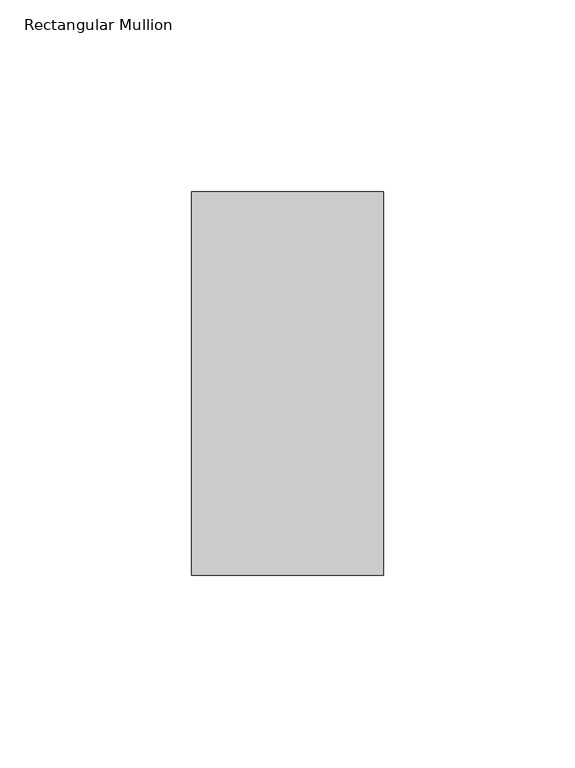
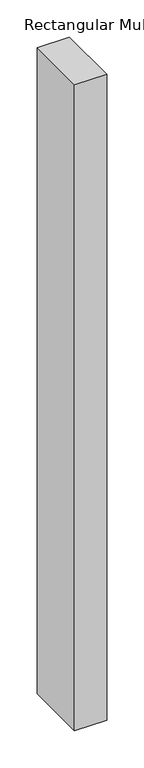
"""IFC4 building model written with IfcOpenShell, lengths in millimetres: member geometry, Rectangular Mullion."""

import ifcopenshell
import ifcopenshell.guid

model = None  # the IFC model being written
_history = None  # IfcOwnerHistory: only IFC2X3 demands one
_inside = {}  # id of a spatial element -> (the spatial element, [elements in it])
_under = {}  # id of a project, library or spatial element -> (it, [spatial elements below it])
_declared = {}  # id of a project -> (the project, [libraries it declares])
_typed = {}  # id of a type object -> (the type object, [elements of that type])
_made_of = {}  # id of a material, layer set ... -> (it, [elements and type objects made of it])


def new_model(schema):
    """Start an empty IFC model of exactly this schema.

    Asked for "IFC4X3", IfcOpenShell would pick the latest addendum, in which some entities
    have other attributes; the version numbers below select the first issue.
    IFC2X3 requires an IfcOwnerHistory on every rooted entity: one is made here for all.
    """
    global model, _history
    if schema == "IFC4X3":
        model = ifcopenshell.file(schema_version=(4, 3, 0, 0))
    else:
        model = ifcopenshell.file(schema=schema)
    _inside.clear()
    _under.clear()
    _declared.clear()
    _typed.clear()
    _made_of.clear()
    _history = None
    if model.schema == "IFC2X3":
        org = make("IfcOrganization", Name="unknown")
        user = make(
            "IfcPersonAndOrganization",
            ThePerson=make("IfcPerson", FamilyName="unknown"),
            TheOrganization=org,
        )
        app = make(
            "IfcApplication",
            ApplicationDeveloper=org,
            Version="unknown",
            ApplicationFullName="unknown",
            ApplicationIdentifier="unknown",
        )
        _history = make(
            "IfcOwnerHistory",
            OwningUser=user,
            OwningApplication=app,
            ChangeAction="ADDED",
            CreationDate=0,
        )
    return model


def make(cls, **values):
    """One entity of the class cls with the attributes given. An attribute that is None is left unset."""
    return model.create_entity(
        cls, **{name: value for name, value in values.items() if value is not None}
    )


def rooted(cls, **values):
    """An entity with a GlobalId (a new one), such as an element, a storey or a relation."""
    return make(cls, GlobalId=ifcopenshell.guid.new(), OwnerHistory=_history, **values)


def si_unit(unit_type, name, prefix=None):
    """IfcSIUnit, for example si_unit("LENGTHUNIT", "METRE", prefix="MILLI")."""
    return make("IfcSIUnit", UnitType=unit_type, Prefix=prefix, Name=name)


def assignment(units):
    """IfcUnitAssignment: the units of a project."""
    return None if units is None else make("IfcUnitAssignment", Units=units)


def point(xyz):
    """IfcCartesianPoint."""
    return None if xyz is None else make("IfcCartesianPoint", Coordinates=xyz)


def direction(xyz):
    """IfcDirection."""
    return None if xyz is None else make("IfcDirection", DirectionRatios=xyz)


def frame(location, z_axis=None, x_axis=None):
    """IfcAxis2Placement3D, a coordinate frame: its origin and axes. An axis left out is left unset."""
    return make(
        "IfcAxis2Placement3D",
        Location=point(location),
        Axis=direction(z_axis),
        RefDirection=direction(x_axis),
    )


def origin():
    """The frame at (0, 0, 0) with its axes left unset."""
    return frame((0.0, 0.0, 0.0))


def place(relative_to, where):
    """IfcLocalPlacement: puts the frame where relative to a parent placement (None: the world)."""
    return make(
        "IfcLocalPlacement", PlacementRelTo=relative_to, RelativePlacement=where
    )


def context(
    kind, dimensions, precision=None, world=None, true_north=None, identifier=None
):
    """IfcGeometricRepresentationContext, for example the 3D "Model" context."""
    return make(
        "IfcGeometricRepresentationContext",
        ContextIdentifier=identifier,
        ContextType=kind,
        CoordinateSpaceDimension=dimensions,
        Precision=precision,
        WorldCoordinateSystem=world,
        TrueNorth=true_north,
    )


def project(units=None, contexts=None):
    """IfcProject with its units and contexts."""
    return rooted(
        "IfcProject",
        Name="project",
        RepresentationContexts=contexts,
        UnitsInContext=assignment(units),
    )


def spatial(cls, under=None, at=None, **own):
    """A site, building, storey or space (cls), placed at a placement, below another one or the project."""
    s = rooted(cls, ObjectPlacement=at, **own)
    if under is not None:
        _under.setdefault(under.id(), (under, []))[1].append(s)
    return s


def polyline(points):
    """IfcPolyline through the points."""
    return make("IfcPolyline", Points=[point(p) for p in points])


def outline(outer, holes=None, kind="AREA"):
    """IfcArbitraryClosedProfileDef: a profile drawn as a closed curve; with holes, ...WithVoids."""
    if holes is None:
        return make("IfcArbitraryClosedProfileDef", ProfileType=kind, OuterCurve=outer)
    return make(
        "IfcArbitraryProfileDefWithVoids",
        ProfileType=kind,
        OuterCurve=outer,
        InnerCurves=holes,
    )


def extrude(swept, where, along, depth):
    """IfcExtrudedAreaSolid: the profile swept, set in the frame where, extruded along a direction by depth."""
    return make(
        "IfcExtrudedAreaSolid",
        SweptArea=swept,
        Position=where,
        ExtrudedDirection=direction(along),
        Depth=depth,
    )


def shape(context_of_items, identifier, shape_type, items):
    """IfcShapeRepresentation: the items that make up one representation, for example the "Body"."""
    return make(
        "IfcShapeRepresentation",
        ContextOfItems=context_of_items,
        RepresentationIdentifier=identifier,
        RepresentationType=shape_type,
        Items=items,
    )


def source(mapping_origin, context_of_items, identifier, shape_type, items):
    """IfcRepresentationMap: a shape defined once, which mapped items show again and again."""
    return make(
        "IfcRepresentationMap",
        MappingOrigin=mapping_origin,
        MappedRepresentation=shape(context_of_items, identifier, shape_type, items),
    )


def transform(
    local_origin,
    x_axis=None,
    y_axis=None,
    z_axis=None,
    scale=None,
    scale2=None,
    scale3=None,
    uniform=True,
):
    """IfcCartesianTransformationOperator3D, or its non-uniform kind. x_axis, y_axis, z_axis: its Axis1, 2, 3."""
    if uniform:
        return make(
            "IfcCartesianTransformationOperator3D",
            Axis1=direction(x_axis),
            Axis2=direction(y_axis),
            LocalOrigin=point(local_origin),
            Scale=scale,
            Axis3=direction(z_axis),
        )
    return make(
        "IfcCartesianTransformationOperator3DnonUniform",
        Axis1=direction(x_axis),
        Axis2=direction(y_axis),
        LocalOrigin=point(local_origin),
        Scale=scale,
        Axis3=direction(z_axis),
        Scale2=scale2,
        Scale3=scale3,
    )


def mapped(mapping_source, mapping_target):
    """IfcMappedItem: shows the shape of a source again, moved by a transform."""
    return make(
        "IfcMappedItem", MappingSource=mapping_source, MappingTarget=mapping_target
    )


def made_of(thing, what):
    """Note that an element or type object is made of a material, layer set ...; save() writes the relation."""
    if what is not None:
        _made_of.setdefault(what.id(), (what, []))[1].append(thing)
    return thing


def element(
    cls,
    number,
    at=None,
    inside=None,
    cuts=None,
    type_object=None,
    material=None,
    context=None,
    identifier="Body",
    shape_type=None,
    held_by="IfcProductDefinitionShape",
    body=None,
    shapes=None,
    **own,
):
    """One element of the class cls, such as IfcWall. Its Tag is "e" and its number.

    at: its placement. inside: the storey or other place that contains it. cuts: it is an
    opening in that element (IfcRelVoidsElement). A single representation is given by context,
    identifier, shape_type and body (its items); several are given by shapes. held_by: the class
    of the entity that holds the representations. save() writes the other relations.
    """
    e = rooted(cls, Tag="e%d" % number, ObjectPlacement=at, **own)
    if body is not None:
        shapes = [shape(context, identifier, shape_type, body)]
    if shapes is not None:
        e.Representation = make(held_by, Representations=shapes)
    if inside is not None:
        _inside.setdefault(inside.id(), (inside, []))[1].append(e)
    if cuts is not None:
        rooted(
            "IfcRelVoidsElement", RelatingBuildingElement=cuts, RelatedOpeningElement=e
        )
    if type_object is not None:
        _typed.setdefault(type_object.id(), (type_object, []))[1].append(e)
    return made_of(e, material)


def aggregate(whole, parts):
    """IfcRelAggregates: a whole, such as a stair, and the parts it consists of."""
    return rooted("IfcRelAggregates", RelatingObject=whole, RelatedObjects=parts)


def save(model, path):
    """Write the relations noted so far, then the file.

    IfcRelAggregates (storeys below a building ...), IfcRelContainedInSpatialStructure (elements
    in a storey), IfcRelDefinesByType, IfcRelAssociatesMaterial and IfcRelDeclares: one each for
    every whole, place, type object, material and project.
    """
    for whole, parts in _under.values():
        aggregate(whole, parts)
    for where, things in _inside.values():
        rooted(
            "IfcRelContainedInSpatialStructure",
            RelatedElements=things,
            RelatingStructure=where,
        )
    for kind, things in _typed.values():
        rooted("IfcRelDefinesByType", RelatedObjects=things, RelatingType=kind)
    for what, things in _made_of.values():
        rooted("IfcRelAssociatesMaterial", RelatedObjects=things, RelatingMaterial=what)
    for by, libraries in _declared.values():
        rooted("IfcRelDeclares", RelatingContext=by, RelatedDefinitions=libraries)
    model.write(path)


def rectangular_mullion_d15eab26(model_context):
    return source(origin(), model_context, "Body", "SweptSolid", [
        extrude(outline(polyline([(0.0, 69.0), (0.0, -31.0), (-50.0, -31.0), (-50.0, 69.0), (0.0, 69.0)])), frame((0.0, 0.0, -1060.0), z_axis=(0.0, 0.0, 1.0), x_axis=(1.0, 0.0, 0.0)), (0.0, 0.0, 1.0), 1060.0),
    ])


if __name__ == "__main__":
    model = new_model("IFC4")
    model_context = context("Model", 3, world=origin())
    ifc_project = project(units=[si_unit("LENGTHUNIT", "METRE", prefix="MILLI")], contexts=[model_context])
    site = spatial("IfcSite", under=ifc_project)
    building = spatial("IfcBuilding", under=site)
    placement = place(None, origin())
    rectangular_mullion_shape = rectangular_mullion_d15eab26(model_context)
    element("IfcMember", 1, ObjectType="Rectangular Mullion", at=placement, inside=building, context=model_context, shape_type="MappedRepresentation", body=[
        mapped(rectangular_mullion_shape, transform((0.0, 0.0, 0.0), x_axis=(1.0, 0.0, 0.0), y_axis=(0.0, 1.0, 0.0), z_axis=(0.0, 0.0, 1.0))),
    ])
    save(model, "model.ifc")
